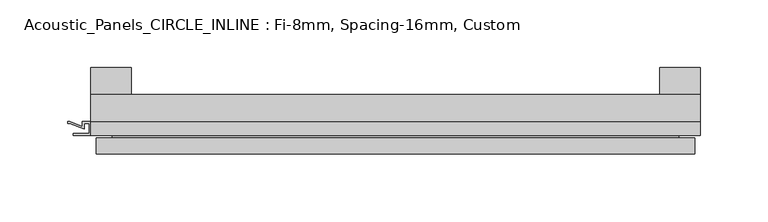
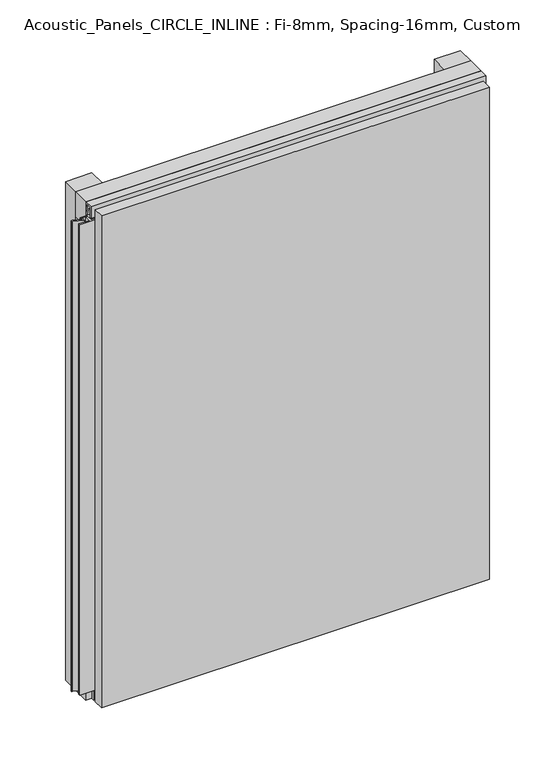
"""IFC4 building model written with IfcOpenShell, lengths in millimetres: plate geometry, Acoustic_Panels_CIRCLE_INLINE : Fi-8mm, Spacing-16mm, Custom."""

from ifc_helpers import new_model, si_unit, frame, origin, origin_with_axes, place, context, project, spatial, polyline, outline, extrude, faceted_brep, source, transform, mapped, element, save


def acoustic_panels_circle_inline_fi_8mm_spacing_16mm_custom_53166386(model_context):
    return source(origin(), model_context, "Body", "SolidModel", [
        extrude(outline(polyline([(-225.0, -40.0), (-225.0, -20.0), (225.0, -20.0), (225.0, -40.0), (-225.0, -40.0)])), frame((0.0, 0.0, 570.0), z_axis=(0.0, 0.0, 1.0), x_axis=(1.0, 0.0, 0.0)), (0.0, 0.0, 1.0), 30.0),
        extrude(outline(polyline([(-225.0, -40.0), (-225.0, -20.0), (225.0, -20.0), (225.0, -40.0), (-225.0, -40.0)])), origin_with_axes(), (0.0, 0.0, 1.0), 30.0),
        extrude(outline(polyline([(195.0, 0.0), (225.0, 0.0), (225.0, -20.0), (195.0, -20.0), (195.0, 0.0)])), origin_with_axes(), (0.0, 0.0, 1.0), 600.0),
        extrude(outline(polyline([(-195.0, 0.0), (-195.0, -20.0), (-225.0, -20.0), (-225.0, 0.0), (-195.0, 0.0)])), origin_with_axes(), (0.0, 0.0, 1.0), 600.0),
        extrude(outline(polyline([(-40.0, 593.700916), (-43.5, 593.700916), (-40.0553267, 584.6441401), (-40.0553267, 577.008452), (-41.4553267, 577.008452), (-41.4553267, 584.4296606), (-45.5140545, 595.100916), (-41.4, 595.100916), (-41.4, 598.5843193), (-48.7, 598.5843193), (-48.7, 586.5843193), (-50.1, 586.5843193), (-50.1, 600.0), (-40.0, 600.0), (-40.0, 593.700916)])), frame((-225.0, 0.0, 0.0), z_axis=(1.0, 0.0, 0.0), x_axis=(0.0, 1.0, 0.0)), (0.0, 0.0, 1.0), 450.0),
        extrude(outline(polyline([(-225.899084, -48.7), (-225.899084, -41.4), (-229.899084, -41.4), (-229.899084, -45.5140545), (-240.5703394, -41.4553267), (-241.9558599, -41.4553267), (-241.9558599, -40.0553267), (-240.3558599, -40.0553267), (-231.299084, -43.5), (-231.299084, -40.0), (-218.700916, -40.0), (-218.700916, -43.5), (-209.6441401, -40.0553267), (-208.0441401, -40.0553267), (-208.0441401, -41.4553267), (-209.4296606, -41.4553267), (-220.100916, -45.5140545), (-220.100916, -41.4), (-224.100916, -41.4), (-224.100916, -48.7), (-212.100916, -48.7), (-212.100916, -50.1), (-237.899084, -50.1), (-237.899084, -48.7), (-225.899084, -48.7)])), frame((0.0, 0.0, 16.9558599), z_axis=(0.0, 0.0, 1.0), x_axis=(1.0, 0.0, 0.0)), (0.0, 0.0, 1.0), 566.0882802),
        faceted_brep([(221.0, -45.9, 596.0), (-221.0, -45.9, 596.0), (-221.0, -48.7, 596.0), (221.0, -48.7, 596.0), (-221.0, -63.9, 596.0), (221.0, -63.9, 596.0), (221.0, -51.9, 596.0), (-221.0, -51.9, 596.0), (-221.0, -45.9, 4.0), (221.0, -45.9, 4.0), (221.0, -48.7, 4.0), (-221.0, -48.7, 4.0), (221.0, -63.9, 4.0), (-221.0, -63.9, 4.0), (-221.0, -51.9, 4.0), (221.0, -51.9, 4.0), (209.0, -51.9, 584.0), (209.0, -51.9, 16.0), (209.0, -48.7, 16.0), (209.0, -48.7, 584.0), (-209.0, -51.9, 16.0), (-209.0, -48.7, 16.0), (-209.0, -51.9, 584.0), (-209.0, -48.7, 584.0)], [[[0, 1, 2, 3]], [[4, 5, 6, 7]], [[8, 9, 10, 11]], [[12, 13, 14, 15]], [[1, 0, 9, 8]], [[1, 8, 11, 2]], [[13, 4, 7, 14]], [[5, 4, 13, 12]], [[9, 0, 3, 10]], [[5, 12, 15, 6]], [[16, 17, 18, 19]], [[18, 17, 20, 21]], [[21, 20, 22, 23]], [[16, 19, 23, 22]], [[7, 6, 15, 14], [17, 16, 22, 20]], [[3, 2, 11, 10], [19, 18, 21, 23]]]),
    ])


if __name__ == "__main__":
    model = new_model("IFC4")
    model_context = context("Model", 3, world=origin())
    ifc_project = project(units=[si_unit("LENGTHUNIT", "METRE", prefix="MILLI")], contexts=[model_context])
    site = spatial("IfcSite", under=ifc_project)
    building = spatial("IfcBuilding", under=site)
    placement = place(None, origin())
    acoustic_panels_circle_inline_fi_8mm_spacing_16mm_custom_shape = acoustic_panels_circle_inline_fi_8mm_spacing_16mm_custom_53166386(model_context)
    element("IfcPlate", 1, ObjectType="Acoustic_Panels_CIRCLE_INLINE : Fi-8mm, Spacing-16mm, Custom", at=placement, inside=building, context=model_context, shape_type="MappedRepresentation", body=[
        mapped(acoustic_panels_circle_inline_fi_8mm_spacing_16mm_custom_shape, transform((0.0, 0.0, 0.0), x_axis=(1.0, 0.0, 0.0), y_axis=(0.0, 1.0, 0.0), z_axis=(0.0, 0.0, 1.0))),
    ])
    save(model, "model.ifc")
